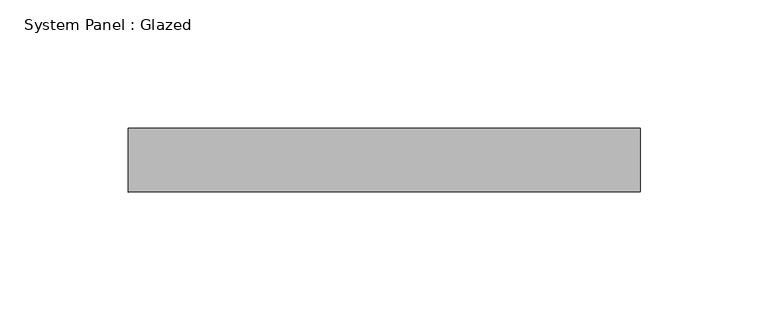
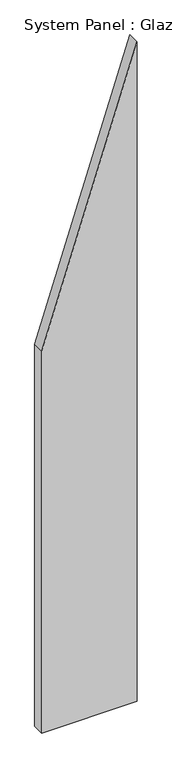
"""IFC4 building model written with IfcOpenShell, lengths in millimetres: plate geometry, System Panel : Glazed."""

from ifc_helpers import new_model, si_unit, frame, origin, place, context, project, spatial, polyline, outline, extrude, source, transform, mapped, element, save


def system_panel_glazed_cf7ad3cf(model_context):
    return source(origin(), model_context, "Body", "SweptSolid", [
        extrude(outline(polyline([(0.0, -100.0), (0.0, 100.0), (1461.5384625, 100.0), (846.1538471, -100.0), (0.0, -100.0)])), frame((0.0, 24.5, 0.0), z_axis=(0.0, 1.0, 0.0), x_axis=(0.0, 0.0, 1.0)), (0.0, 0.0, 1.0), 25.0),
    ])


if __name__ == "__main__":
    model = new_model("IFC4")
    model_context = context("Model", 3, world=origin())
    ifc_project = project(units=[si_unit("LENGTHUNIT", "METRE", prefix="MILLI")], contexts=[model_context])
    site = spatial("IfcSite", under=ifc_project)
    building = spatial("IfcBuilding", under=site)
    placement = place(None, origin())
    system_panel_glazed_shape = system_panel_glazed_cf7ad3cf(model_context)
    element("IfcPlate", 1, ObjectType="System Panel : Glazed", at=placement, inside=building, context=model_context, shape_type="MappedRepresentation", body=[
        mapped(system_panel_glazed_shape, transform((0.0, 0.0, 0.0), x_axis=(1.0, 0.0, 0.0), y_axis=(0.0, 1.0, 0.0), z_axis=(0.0, 0.0, 1.0))),
    ])
    save(model, "model.ifc")
